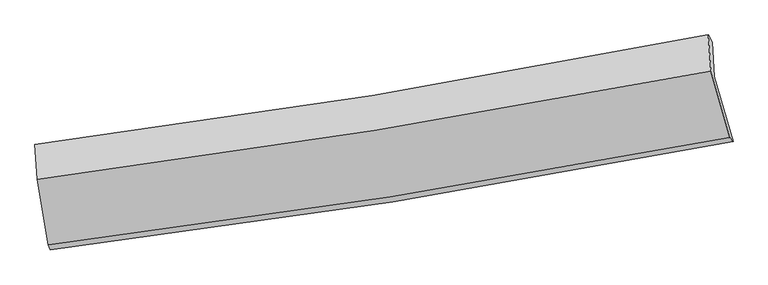
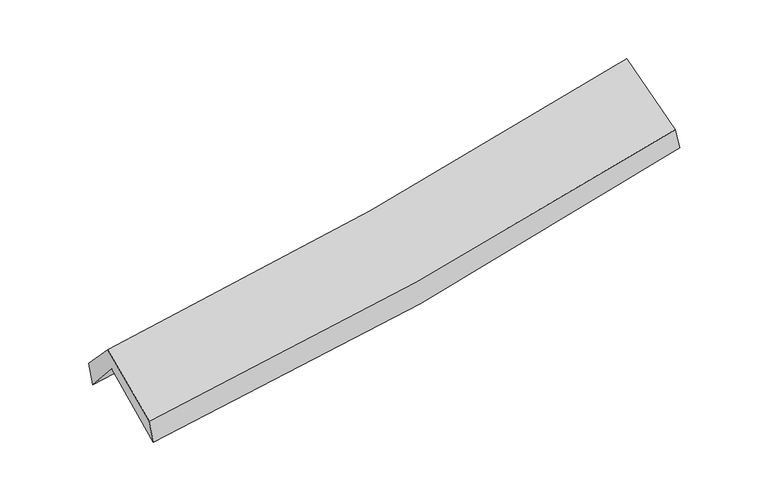
"""IFC4 building model written with IfcOpenShell, lengths in millimetres: proxy geometry."""

from ifc_helpers import new_model, si_unit, frame, origin, place, context, project, spatial, source, transform, mapped, element, save
from ifc_brep_helpers import plane_surface, spline_curve, spline_surface, advanced_brep


def generic_models_4a24c8b3(model_context):
    return source(origin(), model_context, "Body", "AdvancedBrep", [
        advanced_brep(
        [(-2495.0716698, -2481.7874899, 1482.1996188), (-2579.7662501, -1989.8541025, 1903.4028945), (2515.8938183, -1171.8580671, 2383.0429086), (2659.9263577, -1663.109149, 1950.5041264), (-2595.5080601, -1725.5432866, 1601.5657234), (2501.505383, -911.0026693, 2070.1596615), (-2610.5022646, -1686.6228941, 1782.0533157), (2472.7964301, -856.8079114, 2229.8907444), (-2593.5969348, -1950.9341507, 2063.2452641), (2492.1240185, -1131.0038335, 2522.0473172), (-2509.9840203, -2443.5951966, 1662.8356977), (2636.0669826, -1634.095704, 2110.2005769)],
        [
            (0, 1),
            (1, 2, spline_curve(3, [(-2579.7662501, -1989.8541025, 1903.4028945), (-1725.310870771, -1881.110649755, 1950.899116557), (-874.465919318, -1758.770961924, 2014.481184458), (824.122632183, -1486.238155939, 2174.204380428), (1671.831036816, -1335.912498512, 2270.502317333), (2515.8938183, -1171.8580671, 2383.0429086)], [4, 2, 4], [0.0, 8.532417268747079, 17.10632166606776])),
            (2, 3),
            (3, 0, spline_curve(3, [(2659.9263577, -1663.109149, 1950.5041264), (1807.683719034, -1830.143726968, 1834.540621008), (950.926461205, -1982.012978686, 1737.484590578), (-767.449799373, -2254.759350825, 1581.565623297), (-1629.025217197, -2375.782879674, 1522.520151029), (-2495.0716698, -2481.7874899, 1482.1996188)], [4, 2, 4], [0.0, 8.573904397320682, 17.10632166606776])),
            (1, 4),
            (4, 5, spline_curve(3, [(-2595.5080601, -1725.5432866, 1601.5657234), (-1741.009560925, -1614.410680885, 1642.154798533), (-890.030762386, -1491.160076063, 1701.358870201), (809.008029597, -1219.764666271, 1857.375386255), (1657.033712053, -1071.50173183, 1954.369293812), (2501.505383, -911.0026693, 2070.1596615)], [4, 2, 4], [0.0, 8.484966897998248, 17.011190206876613])),
            (5, 2),
            (4, 6),
            (6, 7, spline_curve(3, [(-2610.5022646, -1686.6228941, 1782.0533157), (-1759.068180279, -1578.11737047, 1835.094935468), (-910.762663896, -1454.916795256, 1898.81905071), (783.700732222, -1178.455051546, 2047.994058168), (1629.82811429, -1025.050632894, 2133.549085806), (2472.7964301, -856.8079114, 2229.8907444)], [4, 2, 4], [0.0, 8.473712279544642, 16.988626246696015])),
            (7, 5),
            (6, 8),
            (8, 9, spline_curve(3, [(-2593.5969348, -1950.9341507, 2063.2452641), (-1741.964395237, -1840.708193076, 2114.515527337), (-893.358533517, -1717.46504608, 2178.261108319), (801.911288829, -1444.281834987, 2331.073513764), (1648.545745164, -1294.214876143, 2420.261950684), (2492.1240185, -1131.0038335, 2522.0473172)], [4, 2, 4], [0.0, 8.464120346199838, 16.96939574119827])),
            (9, 7),
            (8, 10),
            (10, 11, spline_curve(3, [(-2509.9840203, -2443.5951966, 1662.8356977), (-1647.341129374, -2336.364885694, 1710.972861812), (-788.213592986, -2215.488218774, 1772.199613158), (927.171009695, -1945.788082224, 1921.193639396), (1783.393807553, -1796.831584963, 2009.088514096), (2636.0669826, -1634.095704, 2110.2005769)], [4, 2, 4], [0.0, 8.512087023171848, 17.065562323268868])),
            (11, 9),
            (10, 0),
            (3, 11),
        ],
        [
            spline_surface(3, 3, [[(-2495.0716698, -2481.7874899, 1482.1996188), (-1629.025217205, -2375.782879562, 1522.520150938), (-767.449799344, -2254.759350956, 1581.565623206), (950.926461175, -1982.012978554, 1737.48459067), (1807.68371914, -1830.143726852, 1834.540620967), (2659.9263577, -1663.109149, 1950.5041264)], [(-2523.303196581, -2317.809694118, 1622.600710711), (-1661.120435079, -2210.892136271, 1665.31313948), (-803.121839341, -2089.429887956, 1725.870810267), (908.658518149, -1816.754704383, 1883.057853953), (1762.399491674, -1665.399984104, 1979.861186451), (2611.91551123, -1499.358788354, 2094.683720472)], [(-2551.534723319, -2153.831898282, 1763.001802589), (-1693.215652912, -2046.001392927, 1808.106127988), (-838.793879288, -1924.100424888, 1870.175997317), (866.390575175, -1651.496430146, 2028.631117225), (1717.115264219, -1500.656241391, 2125.181751917), (2563.90466477, -1335.608427746, 2238.863314528)], [(-2579.7662501, -1989.8541025, 1903.4028945), (-1725.310870786, -1881.110649636, 1950.89911653), (-874.465919285, -1758.770961888, 2014.481184379), (824.122632149, -1486.238155975, 2174.204380508), (1671.831036754, -1335.912498642, 2270.5023174), (2515.8938183, -1171.8580671, 2383.0429086)]], [4, 4], [4, 2, 4], [0.0, 2.197554426574253], [0.0, 8.532417268747079, 17.10632166606776]),
            spline_surface(3, 3, [[(-2579.7662501, -1989.8541025, 1903.4028945), (-1725.310870786, -1881.110649636, 1950.89911653), (-874.465919285, -1758.770961888, 2014.481184379), (824.122632149, -1486.238155975, 2174.204380508), (1671.831036754, -1335.912498642, 2270.5023174), (2515.8938183, -1171.8580671, 2383.0429086)], [(-2585.013520087, -1901.750497181, 1802.790504113), (-1730.543767474, -1792.210660071, 1847.984343823), (-879.654200282, -1669.567333317, 1910.107079642), (819.084431303, -1397.413659365, 2068.594715753), (1666.898595178, -1247.775576392, 2165.124642907), (2511.097673197, -1084.906267845, 2278.748492909)], [(-2590.260790113, -1813.646891919, 1702.178113787), (-1735.776664202, -1703.310670564, 1745.069571174), (-884.842481342, -1580.363704753, 1805.732974927), (814.046230395, -1308.589162761, 1962.98505102), (1661.966153611, -1159.638654107, 2059.746968386), (2506.301528103, -997.954468555, 2174.454077191)], [(-2595.5080601, -1725.5432866, 1601.5657234), (-1741.009560891, -1614.410680998, 1642.154798467), (-890.030762339, -1491.160076183, 1701.35887019), (809.008029549, -1219.764666151, 1857.375386266), (1657.033712035, -1071.501731856, 1954.369293893), (2501.505383, -911.0026693, 2070.1596615)]], [4, 4], [4, 2, 4], [0.0, 1.355747746253195], [0.0, 8.484966897998248, 17.011190206876613]),
            spline_surface(3, 3, [[(-2595.5080601, -1725.5432866, 1601.5657234), (-1741.009560891, -1614.410680998, 1642.154798467), (-890.030762339, -1491.160076183, 1701.35887019), (809.008029549, -1219.764666151, 1857.375386266), (1657.033712035, -1071.501731856, 1954.369293893), (2501.505383, -911.0026693, 2070.1596615)], [(-2600.506128266, -1712.569822449, 1661.728254185), (-1747.029100702, -1602.312910839, 1706.468177519), (-896.941396237, -1479.078982492, 1767.178930355), (800.572263764, -1205.994794641, 1920.914943555), (1647.965179399, -1056.018032158, 2014.095891239), (2491.935732022, -892.937749989, 2123.403355795)], [(-2605.504196434, -1699.596358251, 1721.890784915), (-1753.048640513, -1590.215140631, 1770.781556516), (-903.852030051, -1466.997888836, 1832.998990551), (792.136498061, -1192.224923167, 1984.454500874), (1638.896646797, -1040.534332494, 2073.822488599), (2482.366081078, -874.872830711, 2176.647050105)], [(-2610.5022646, -1686.6228941, 1782.0533157), (-1759.068180324, -1578.117370472, 1835.094935568), (-910.762663949, -1454.916795145, 1898.819050715), (783.700732276, -1178.455051657, 2047.994058163), (1629.828114162, -1025.050632796, 2133.549085945), (2472.7964301, -856.8079114, 2229.8907444)]], [4, 4], [4, 2, 4], [0.0, 0.653536287486235], [0.0, 8.473712279544642, 16.988626246696015]),
            spline_surface(3, 3, [[(-2610.5022646, -1686.6228941, 1782.0533157), (-1759.068180324, -1578.117370472, 1835.094935568), (-910.762663949, -1454.916795145, 1898.819050715), (783.700732276, -1178.455051657, 2047.994058163), (1629.828114162, -1025.050632796, 2133.549085945), (2472.7964301, -856.8079114, 2229.8907444)], [(-2604.867154687, -1774.726646275, 1875.783965157), (-1753.366918621, -1665.647644683, 1928.235132846), (-904.961287141, -1542.432878798, 1991.966403266), (789.770917852, -1267.063979427, 2142.353876698), (1636.067324484, -1114.772047304, 2229.120040808), (2479.238959565, -948.206552116, 2327.276268657)], [(-2599.232044713, -1862.830398525, 1969.514614643), (-1747.665656856, -1753.177918969, 2021.375330154), (-899.159910417, -1629.948962448, 2085.11375579), (795.841103345, -1355.672907195, 2236.713695206), (1642.306534811, -1204.493461765, 2324.690995699), (2485.681489035, -1039.605192784, 2424.661792943)], [(-2593.5969348, -1950.9341507, 2063.2452641), (-1741.964395153, -1840.70819318, 2114.515527432), (-893.358533609, -1717.465046101, 2178.261108341), (801.911288922, -1444.281834965, 2331.073513741), (1648.545745133, -1294.214876274, 2420.261950561), (2492.1240185, -1131.0038335, 2522.0473172)]], [4, 4], [4, 2, 4], [0.0, 1.267394124632034], [0.0, 8.464120346199838, 16.96939574119827]),
            spline_surface(3, 3, [[(-2593.5969348, -1950.9341507, 2063.2452641), (-1741.964395153, -1840.70819318, 2114.515527432), (-893.358533609, -1717.465046101, 2178.261108341), (801.911288922, -1444.281834965, 2331.073513741), (1648.545745133, -1294.214876274, 2420.261950561), (2492.1240185, -1131.0038335, 2522.0473172)], [(-2565.725963299, -2115.154499363, 1929.775408639), (-1710.423306593, -2005.927090671, 1980.001305528), (-858.310220113, -1883.472770291, 2042.907276649), (843.664529173, -1611.450584074, 2194.446888938), (1693.495099295, -1461.753779182, 2283.20413845), (2540.105006538, -1298.701123661, 2384.765070451)], [(-2537.854991801, -2279.374847937, 1796.305553161), (-1678.882218035, -2171.145988072, 1845.487083607), (-823.26190654, -2049.480494499, 1907.553444936), (885.417769502, -1778.619333201, 2057.820264114), (1738.444453442, -1629.292682109, 2146.146326285), (2588.085994562, -1466.398413839, 2247.482823649)], [(-2509.9840203, -2443.5951966, 1662.8356977), (-1647.341129475, -2336.364885562, 1710.972861703), (-788.213593045, -2215.488218689, 1772.199613243), (927.171009754, -1945.78808231, 1921.19363931), (1783.393807604, -1796.831585018, 2009.088514174), (2636.0669826, -1634.095704, 2110.2005769)]], [4, 4], [4, 2, 4], [0.0, 2.150148535153299], [0.0, 8.512087023171848, 17.065562323268868]),
            spline_surface(3, 3, [[(-2509.9840203, -2443.5951966, 1662.8356977), (-1647.341129475, -2336.364885562, 1710.972861703), (-788.213593045, -2215.488218689, 1772.199613243), (927.171009754, -1945.78808231, 1921.19363931), (1783.393807604, -1796.831585018, 2009.088514174), (2636.0669826, -1634.095704, 2110.2005769)], [(-2505.01323678, -2456.325961014, 1602.623671395), (-1641.235825364, -2349.504216877, 1648.155291443), (-781.292328456, -2228.578596108, 1708.654949895), (935.089493582, -1957.863047721, 1859.957289761), (1791.490444797, -1807.935632298, 1950.905883087), (2644.020107648, -1643.766852335, 2056.968426715)], [(-2500.04245332, -2469.056725486, 1542.411645105), (-1635.130521316, -2362.643548248, 1585.337721198), (-774.371063932, -2241.668973537, 1645.110286554), (943.007977347, -1969.938013142, 1798.720940219), (1799.587081947, -1819.039679572, 1892.723252054), (2651.973232652, -1653.438000665, 2003.736276585)], [(-2495.0716698, -2481.7874899, 1482.1996188), (-1629.025217205, -2375.782879562, 1522.520150938), (-767.449799344, -2254.759350956, 1581.565623206), (950.926461175, -1982.012978554, 1737.48459067), (1807.68371914, -1830.143726852, 1834.540620967), (2659.9263577, -1663.109149, 1950.5041264)]], [4, 4], [4, 2, 4], [0.0, 0.63063016908623], [0.0, 8.569184120688575, 17.18003414122573]),
            plane_surface(frame((2546.3854984, -1227.9795557, 2210.9742225), z_axis=(0.9758413345727106, 0.1877801509922342, 0.11167947274537472), x_axis=(0.21615914982878992, -0.7554930640584444, -0.61847025159249))),
            plane_surface(frame((-2564.0715333, -2046.3895201, 1749.2170857), z_axis=(-0.9908614794817675, -0.122781934490894, -0.05584017408530427), x_axis=(-0.08050689402315796, 0.20618767591129367, 0.9751949970734282))),
        ],
        [
            (0, [[1, 2, 3, 4]]),
            (1, [[5, 6, 7, -2]]),
            (2, [[8, 9, 10, -6]]),
            (3, [[11, 12, 13, -9]]),
            (4, [[14, 15, 16, -12]]),
            (5, [[17, -4, 18, -15]]),
            (6, [[-16, -18, -3, -7, -10, -13]]),
            (7, [[-17, -14, -11, -8, -5, -1]]),
        ],
    ),
    ])


if __name__ == "__main__":
    model = new_model("IFC4")
    model_context = context("Model", 3, world=origin())
    ifc_project = project(units=[si_unit("LENGTHUNIT", "METRE", prefix="MILLI")], contexts=[model_context])
    site = spatial("IfcSite", under=ifc_project)
    building = spatial("IfcBuilding", under=site)
    placement = place(None, origin())
    generic_models_shape = generic_models_4a24c8b3(model_context)
    element("IfcBuildingElementProxy", 1, Name="Generic Models", at=placement, inside=building, context=model_context, shape_type="MappedRepresentation", body=[
        mapped(generic_models_shape, transform((0.0, 0.0, 0.0), x_axis=(1.0, 0.0, 0.0), y_axis=(0.0, 1.0, 0.0), z_axis=(0.0, 0.0, 1.0))),
    ])
    save(model, "model.ifc")
